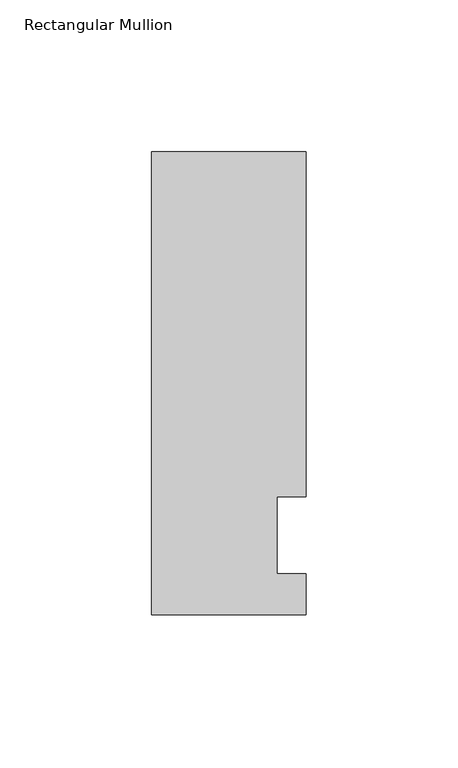
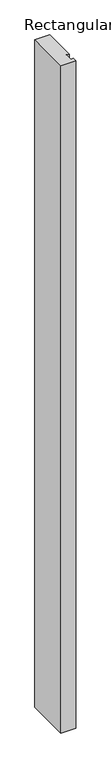
"""IFC4 building model written with IfcOpenShell, lengths in millimetres: member geometry, Rectangular Mullion."""

from ifc_helpers import new_model, si_unit, frame, origin, place, context, project, spatial, polyline, outline, extrude, source, transform, mapped, element, save


def rectangular_mullion_1ff43b25(model_context):
    return source(origin(), model_context, "Body", "SweptSolid", [
        extrude(outline(polyline([(-25.4, -26.19375), (-25.4, 126.20625), (25.4, 126.20625), (25.4, 12.7), (15.875, 12.7), (15.875, -12.7), (25.4, -12.7), (25.4, -26.19375), (-25.4, -26.19375)])), frame((0.0, 0.0, -2400.3), z_axis=(0.0, 0.0, 1.0), x_axis=(1.0, 0.0, 0.0)), (0.0, 0.0, 1.0), 2400.3),
    ])


if __name__ == "__main__":
    model = new_model("IFC4")
    model_context = context("Model", 3, world=origin())
    ifc_project = project(units=[si_unit("LENGTHUNIT", "METRE", prefix="MILLI")], contexts=[model_context])
    site = spatial("IfcSite", under=ifc_project)
    building = spatial("IfcBuilding", under=site)
    placement = place(None, origin())
    rectangular_mullion_shape = rectangular_mullion_1ff43b25(model_context)
    element("IfcMember", 1, ObjectType="Rectangular Mullion", at=placement, inside=building, context=model_context, shape_type="MappedRepresentation", body=[
        mapped(rectangular_mullion_shape, transform((0.0, 0.0, 0.0), x_axis=(1.0, 0.0, 0.0), y_axis=(0.0, 1.0, 0.0), z_axis=(0.0, 0.0, 1.0))),
    ])
    save(model, "model.ifc")
